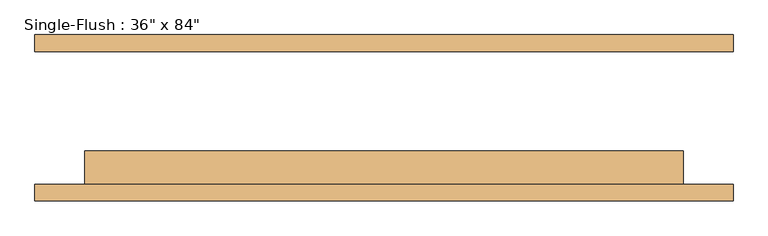
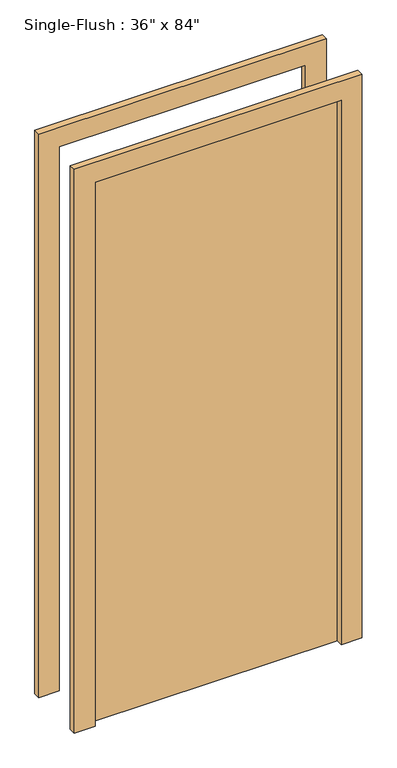
"""IFC4 building model written with IfcOpenShell, lengths in millimetres: door geometry."""

from ifc_helpers import new_model, si_unit, frame, origin, origin_with_axes, place, context, project, spatial, polyline, outline, extrude, source, transform, mapped, element, save


def door_719f80de(model_context):
    return source(origin(), model_context, "Body", "SweptSolid", [
        extrude(outline(polyline([(2209.8, -533.4), (0.0, -533.4), (0.0, -457.2), (2133.6, -457.2), (2133.6, 457.2), (0.0, 457.2), (0.0, 533.4), (2209.8, 533.4), (2209.8, -533.4)])), frame((0.0, -127.0, 0.0), z_axis=(0.0, 1.0, 0.0), x_axis=(0.0, 0.0, 1.0)), (0.0, 0.0, 1.0), 25.4),
        extrude(outline(polyline([(2209.8, 533.4), (2209.8, -533.4), (0.0, -533.4), (0.0, -457.2), (2133.6, -457.2), (2133.6, 457.2), (0.0, 457.2), (0.0, 533.4), (2209.8, 533.4)])), frame((0.0, 101.6, 0.0), z_axis=(0.0, 1.0, 0.0), x_axis=(0.0, 0.0, 1.0)), (0.0, 0.0, 1.0), 25.4),
        extrude(outline(polyline([(457.2, -50.8), (457.2, -101.6), (-457.2, -101.6), (-457.2, -50.8), (457.2, -50.8)])), origin_with_axes(), (0.0, 0.0, 1.0), 2133.6),
    ])


if __name__ == "__main__":
    model = new_model("IFC4")
    model_context = context("Model", 3, world=origin())
    ifc_project = project(units=[si_unit("LENGTHUNIT", "METRE", prefix="MILLI")], contexts=[model_context])
    site = spatial("IfcSite", under=ifc_project)
    building = spatial("IfcBuilding", under=site)
    placement = place(None, origin())
    door_shape = door_719f80de(model_context)
    element("IfcDoor", 1, ObjectType="Single-Flush : 36\" x 84\"", at=placement, inside=building, context=model_context, shape_type="MappedRepresentation", body=[
        mapped(door_shape, transform((0.0, 0.0, 0.0), x_axis=(1.0, 0.0, 0.0), y_axis=(0.0, 1.0, 0.0), z_axis=(0.0, 0.0, 1.0))),
    ])
    save(model, "model.ifc")
